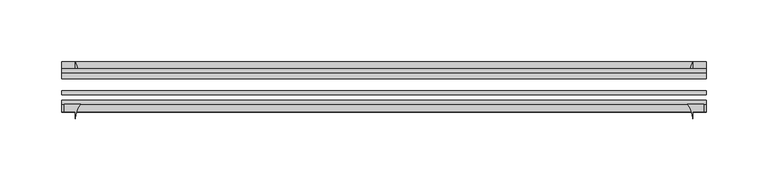
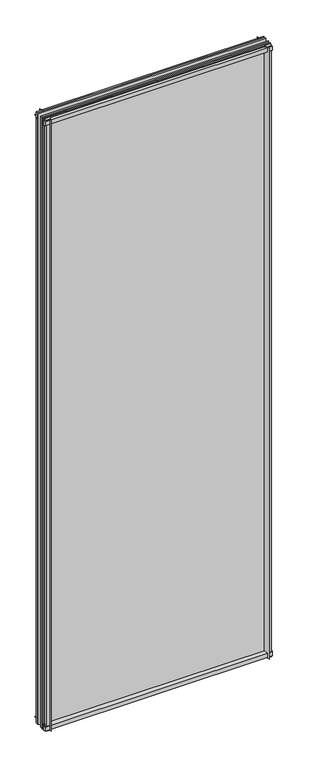
"""IFC4 building model written with IfcOpenShell, lengths in millimetres: plate geometry."""

from ifc_helpers import new_model, si_unit, point, frame, frame_2d, origin, place, context, project, spatial, polyline, circle_curve, trimmed, segment, composite_curve, outline, extrude, source, transform, mapped, element, save


def plate_e063b9b9(model_context):
    return source(origin(), model_context, "Body", "SweptSolid", [
        extrude(outline(composite_curve([segment(polyline([(-42.891075, -11.1125), (-42.891075, 3.8539528)]), True, "CONTINUOUS"), segment(trimmed(circle_curve(frame_2d((-26.637892, 29.5913262)), 30.4397495), [point((-42.891075, 3.8539528))], [point((-33.7745413, 0.0))], True, "CARTESIAN"), True, "CONTINUOUS"), segment(polyline([(-33.7745413, 0.0), (-39.690675, 0.0), (-39.690675, -11.1125), (-42.891075, -11.1125)]), True, "CONTINUOUS")], self_intersect=False)), frame((-261.9375, 0.0, 0.0), z_axis=(1.0, 0.0, 0.0), x_axis=(0.0, 1.0, 0.0)), (0.0, 0.0, 1.0), 523.875),
        extrude(outline(composite_curve([segment(trimmed(circle_curve(frame_2d((-80.4922797, 17.8701603)), 18.6769817), [point((-74.641075, 0.1333891))], [point((-68.291075, 3.72943))], True, "CARTESIAN"), True, "CONTINUOUS"), segment(polyline([(-68.291075, 3.72943), (-68.291075, -10.3251), (-74.641075, -10.3251), (-74.641075, 0.1333891)]), True, "CONTINUOUS")], self_intersect=False)), frame((-261.9375, 0.0, 0.0), z_axis=(1.0, 0.0, 0.0), x_axis=(0.0, 1.0, 0.0)), (0.0, 0.0, 1.0), 523.875),
        extrude(outline(composite_curve([segment(polyline([(-42.891075, 1459.8083472), (-42.891075, 1474.7875), (-39.690675, 1474.7875), (-39.690675, 1463.675), (-33.721675, 1463.675)]), True, "CONTINUOUS"), segment(trimmed(circle_curve(frame_2d((-26.637892, 1434.0709738)), 30.4397495), [point((-33.721675, 1463.675))], [point((-42.891075, 1459.8083472))], True, "CARTESIAN"), True, "CONTINUOUS")], self_intersect=False)), frame((-261.9375, 0.0, 0.0), z_axis=(1.0, 0.0, 0.0), x_axis=(0.0, 1.0, 0.0)), (0.0, 0.0, 1.0), 523.875),
        extrude(outline(composite_curve([segment(polyline([(-68.291075, 1472.4126), (-68.291075, 1459.13912)]), True, "CONTINUOUS"), segment(trimmed(circle_curve(frame_2d((-80.4922797, 1444.9983897)), 18.6769817), [point((-68.291075, 1459.13912))], [point((-74.641075, 1462.7351609))], True, "CARTESIAN"), True, "CONTINUOUS"), segment(polyline([(-74.641075, 1462.7351609), (-74.641075, 1472.4126), (-68.291075, 1472.4126)]), True, "CONTINUOUS")], self_intersect=False)), frame((-261.9375, 0.0, 0.0), z_axis=(1.0, 0.0, 0.0), x_axis=(0.0, 1.0, 0.0)), (0.0, 0.0, 1.0), 523.875),
        extrude(outline(composite_curve([segment(polyline([(246.28912, -68.291075), (259.5626, -68.291075), (259.5626, -74.641075), (250.825, -74.641075), (250.825, -80.3744844)]), True, "CONTINUOUS"), segment(trimmed(circle_curve(frame_2d((232.1483897, -80.4922797)), 18.6769817), [point((250.825, -80.3744844))], [point((246.28912, -68.291075))], True, "CARTESIAN"), True, "CONTINUOUS")], self_intersect=False)), frame((0.0, 0.0, -11.1125), z_axis=(0.0, 0.0, 1.0), x_axis=(1.0, 0.0, 0.0)), (0.0, 0.0, 1.0), 1485.9),
        extrude(outline(composite_curve([segment(trimmed(circle_curve(frame_2d((221.2209738, -26.637892)), 30.4397495), [point((246.9583472, -42.891075))], [point((250.825, -33.721675))], True, "CARTESIAN"), True, "CONTINUOUS"), segment(polyline([(250.825, -33.721675), (250.825, -39.690675), (261.9375, -39.690675), (261.9375, -42.891075), (246.9583472, -42.891075)]), True, "CONTINUOUS")], self_intersect=False)), frame((0.0, 0.0, -11.1125), z_axis=(0.0, 0.0, 1.0), x_axis=(1.0, 0.0, 0.0)), (0.0, 0.0, 1.0), 1485.9),
        extrude(outline(composite_curve([segment(trimmed(circle_curve(frame_2d((-232.1483897, -80.4922797)), 18.6769817), [point((-246.28912, -68.291075))], [point((-250.825, -80.3744844))], True, "CARTESIAN"), True, "CONTINUOUS"), segment(polyline([(-250.825, -80.3744844), (-250.825, -74.641075), (-259.5626, -74.641075), (-259.5626, -68.291075), (-246.28912, -68.291075)]), True, "CONTINUOUS")], self_intersect=False)), frame((0.0, 0.0, -11.1125), z_axis=(0.0, 0.0, 1.0), x_axis=(1.0, 0.0, 0.0)), (0.0, 0.0, 1.0), 1485.9),
        extrude(outline(composite_curve([segment(polyline([(-246.9583472, -42.891075), (-261.9375, -42.891075), (-261.9375, -39.690675), (-250.825, -39.690675), (-250.825, -33.721675)]), True, "CONTINUOUS"), segment(trimmed(circle_curve(frame_2d((-221.2209738, -26.637892)), 30.4397495), [point((-250.825, -33.721675))], [point((-246.9583472, -42.891075))], True, "CARTESIAN"), True, "CONTINUOUS")], self_intersect=False)), frame((0.0, 0.0, -11.1125), z_axis=(0.0, 0.0, 1.0), x_axis=(1.0, 0.0, 0.0)), (0.0, 0.0, 1.0), 1485.9),
        extrude(outline(polyline([(-261.9375, -42.891075), (261.9375, -42.891075), (261.9375, -47.653575), (-261.9375, -47.653575), (-261.9375, -42.891075)])), frame((0.0, 0.0, -11.1125), z_axis=(0.0, 0.0, 1.0), x_axis=(1.0, 0.0, 0.0)), (0.0, 0.0, 1.0), 1485.9),
        extrude(outline(polyline([(261.9375, -57.369075), (261.9375, -60.544075), (-261.9375, -60.544075), (-261.9375, -57.369075), (261.9375, -57.369075)])), frame((0.0, 0.0, -11.1125), z_axis=(0.0, 0.0, 1.0), x_axis=(1.0, 0.0, 0.0)), (0.0, 0.0, 1.0), 1485.9),
        extrude(outline(polyline([(-261.9375, -65.116075), (261.9375, -65.116075), (261.9375, -68.291075), (-261.9375, -68.291075), (-261.9375, -65.116075)])), frame((0.0, 0.0, -11.1125), z_axis=(0.0, 0.0, 1.0), x_axis=(1.0, 0.0, 0.0)), (0.0, 0.0, 1.0), 1485.9),
    ])


if __name__ == "__main__":
    model = new_model("IFC4")
    model_context = context("Model", 3, world=origin())
    ifc_project = project(units=[si_unit("LENGTHUNIT", "METRE", prefix="MILLI")], contexts=[model_context])
    site = spatial("IfcSite", under=ifc_project)
    building = spatial("IfcBuilding", under=site)
    placement = place(None, origin())
    plate_shape = plate_e063b9b9(model_context)
    element("IfcPlate", 1, at=placement, inside=building, context=model_context, shape_type="MappedRepresentation", body=[
        mapped(plate_shape, transform((0.0, 0.0, 0.0), x_axis=(1.0, 0.0, 0.0), y_axis=(0.0, 1.0, 0.0), z_axis=(0.0, 0.0, 1.0))),
    ])
    save(model, "model.ifc")
